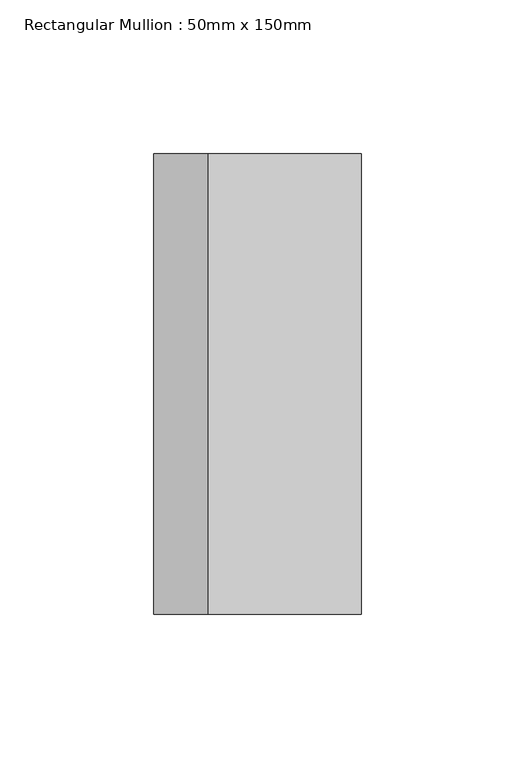
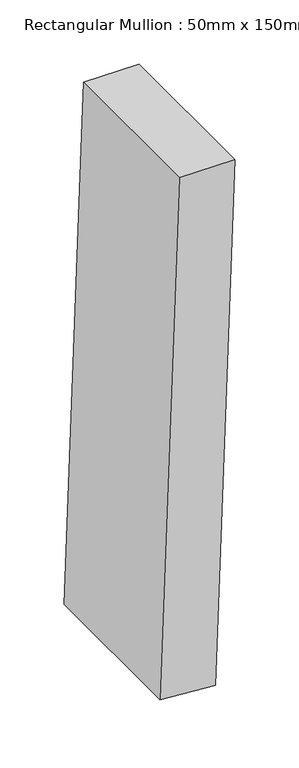
"""IFC4 building model written with IfcOpenShell, lengths in millimetres: member geometry, Rectangular Mullion : 50mm x 150mm."""

from ifc_helpers import new_model, si_unit, point, frame, frame_2d, origin, place, context, project, spatial, polyline, circle_curve, trimmed, segment, composite_curve, outline, extrude, source, transform, mapped, element, save


def rectangular_mullion_50mm_x_150mm_b7200af7(model_context):
    return source(origin(), model_context, "Body", "SweptSolid", [
        extrude(outline(composite_curve([segment(trimmed(circle_curve(frame_2d((0.0, -6914.0186607)), 6914.0186607), [point((-494.8825167, -17.733767))], [point((0.0, 0.0))], False, "CARTESIAN"), True, "CONTINUOUS"), segment(polyline([(0.0, 0.0), (0.0, -50.0)]), True, "CONTINUOUS"), segment(trimmed(circle_curve(frame_2d((0.0, -6914.0186607)), 6864.0186607), [point((0.0, -50.0))], [point((-491.3036825, -67.605522))], True, "CARTESIAN"), True, "CONTINUOUS"), segment(polyline([(-491.3036825, -67.605522), (-494.8825167, -17.733767)]), True, "CONTINUOUS")], self_intersect=False)), frame((0.0, -75.0, 0.0), z_axis=(0.0, 1.0, 0.0), x_axis=(0.0, 0.0, 1.0)), (0.0, 0.0, 1.0), 150.0),
    ])


if __name__ == "__main__":
    model = new_model("IFC4")
    model_context = context("Model", 3, world=origin())
    ifc_project = project(units=[si_unit("LENGTHUNIT", "METRE", prefix="MILLI")], contexts=[model_context])
    site = spatial("IfcSite", under=ifc_project)
    building = spatial("IfcBuilding", under=site)
    placement = place(None, origin())
    rectangular_mullion_50mm_x_150mm_shape = rectangular_mullion_50mm_x_150mm_b7200af7(model_context)
    element("IfcMember", 1, ObjectType="Rectangular Mullion : 50mm x 150mm", at=placement, inside=building, context=model_context, shape_type="MappedRepresentation", body=[
        mapped(rectangular_mullion_50mm_x_150mm_shape, transform((0.0, 0.0, 0.0), x_axis=(1.0, 0.0, 0.0), y_axis=(0.0, 1.0, 0.0), z_axis=(0.0, 0.0, 1.0))),
    ])
    save(model, "model.ifc")
